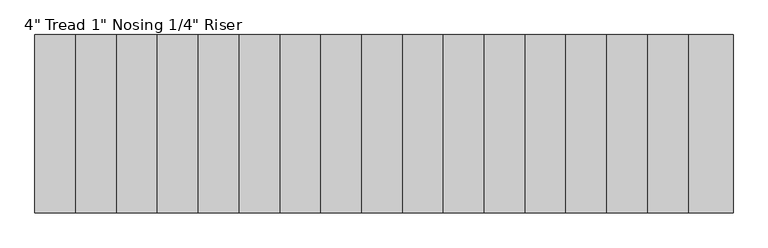
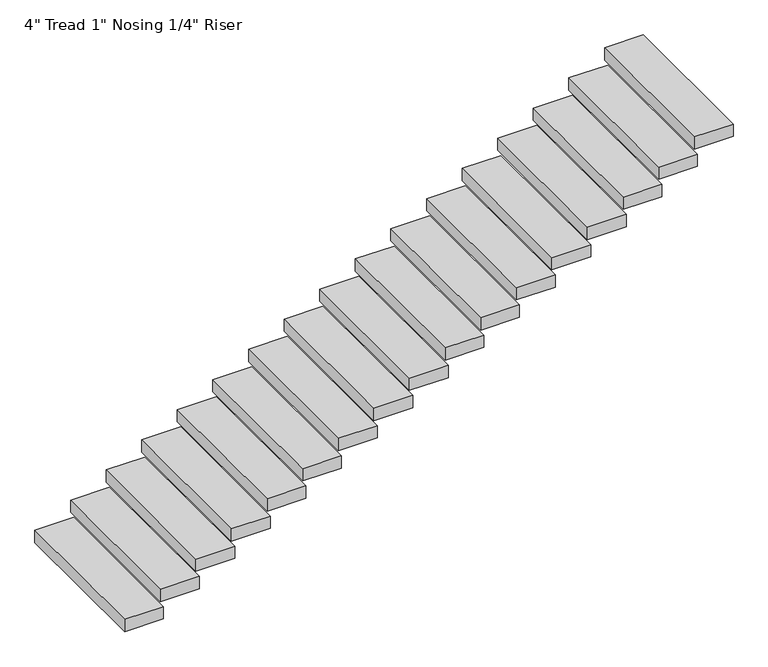
"""IFC4 building model written with IfcOpenShell, lengths in millimetres: stair flight geometry."""

import ifcopenshell
import ifcopenshell.guid

model = None  # the IFC model being written
_history = None  # IfcOwnerHistory: only IFC2X3 demands one
_inside = {}  # id of a spatial element -> (the spatial element, [elements in it])
_under = {}  # id of a project, library or spatial element -> (it, [spatial elements below it])
_declared = {}  # id of a project -> (the project, [libraries it declares])
_typed = {}  # id of a type object -> (the type object, [elements of that type])
_made_of = {}  # id of a material, layer set ... -> (it, [elements and type objects made of it])


def new_model(schema):
    """Start an empty IFC model of exactly this schema.

    Asked for "IFC4X3", IfcOpenShell would pick the latest addendum, in which some entities
    have other attributes; the version numbers below select the first issue.
    IFC2X3 requires an IfcOwnerHistory on every rooted entity: one is made here for all.
    """
    global model, _history
    if schema == "IFC4X3":
        model = ifcopenshell.file(schema_version=(4, 3, 0, 0))
    else:
        model = ifcopenshell.file(schema=schema)
    _inside.clear()
    _under.clear()
    _declared.clear()
    _typed.clear()
    _made_of.clear()
    _history = None
    if model.schema == "IFC2X3":
        org = make("IfcOrganization", Name="unknown")
        user = make(
            "IfcPersonAndOrganization",
            ThePerson=make("IfcPerson", FamilyName="unknown"),
            TheOrganization=org,
        )
        app = make(
            "IfcApplication",
            ApplicationDeveloper=org,
            Version="unknown",
            ApplicationFullName="unknown",
            ApplicationIdentifier="unknown",
        )
        _history = make(
            "IfcOwnerHistory",
            OwningUser=user,
            OwningApplication=app,
            ChangeAction="ADDED",
            CreationDate=0,
        )
    return model


def make(cls, **values):
    """One entity of the class cls with the attributes given. An attribute that is None is left unset."""
    return model.create_entity(
        cls, **{name: value for name, value in values.items() if value is not None}
    )


def rooted(cls, **values):
    """An entity with a GlobalId (a new one), such as an element, a storey or a relation."""
    return make(cls, GlobalId=ifcopenshell.guid.new(), OwnerHistory=_history, **values)


def si_unit(unit_type, name, prefix=None):
    """IfcSIUnit, for example si_unit("LENGTHUNIT", "METRE", prefix="MILLI")."""
    return make("IfcSIUnit", UnitType=unit_type, Prefix=prefix, Name=name)


def assignment(units):
    """IfcUnitAssignment: the units of a project."""
    return None if units is None else make("IfcUnitAssignment", Units=units)


def point(xyz):
    """IfcCartesianPoint."""
    return None if xyz is None else make("IfcCartesianPoint", Coordinates=xyz)


def direction(xyz):
    """IfcDirection."""
    return None if xyz is None else make("IfcDirection", DirectionRatios=xyz)


def frame(location, z_axis=None, x_axis=None):
    """IfcAxis2Placement3D, a coordinate frame: its origin and axes. An axis left out is left unset."""
    return make(
        "IfcAxis2Placement3D",
        Location=point(location),
        Axis=direction(z_axis),
        RefDirection=direction(x_axis),
    )


def origin():
    """The frame at (0, 0, 0) with its axes left unset."""
    return frame((0.0, 0.0, 0.0))


def place(relative_to, where):
    """IfcLocalPlacement: puts the frame where relative to a parent placement (None: the world)."""
    return make(
        "IfcLocalPlacement", PlacementRelTo=relative_to, RelativePlacement=where
    )


def context(
    kind, dimensions, precision=None, world=None, true_north=None, identifier=None
):
    """IfcGeometricRepresentationContext, for example the 3D "Model" context."""
    return make(
        "IfcGeometricRepresentationContext",
        ContextIdentifier=identifier,
        ContextType=kind,
        CoordinateSpaceDimension=dimensions,
        Precision=precision,
        WorldCoordinateSystem=world,
        TrueNorth=true_north,
    )


def project(units=None, contexts=None):
    """IfcProject with its units and contexts."""
    return rooted(
        "IfcProject",
        Name="project",
        RepresentationContexts=contexts,
        UnitsInContext=assignment(units),
    )


def spatial(cls, under=None, at=None, **own):
    """A site, building, storey or space (cls), placed at a placement, below another one or the project."""
    s = rooted(cls, ObjectPlacement=at, **own)
    if under is not None:
        _under.setdefault(under.id(), (under, []))[1].append(s)
    return s


def polyline(points):
    """IfcPolyline through the points."""
    return make("IfcPolyline", Points=[point(p) for p in points])


def outline(outer, holes=None, kind="AREA"):
    """IfcArbitraryClosedProfileDef: a profile drawn as a closed curve; with holes, ...WithVoids."""
    if holes is None:
        return make("IfcArbitraryClosedProfileDef", ProfileType=kind, OuterCurve=outer)
    return make(
        "IfcArbitraryProfileDefWithVoids",
        ProfileType=kind,
        OuterCurve=outer,
        InnerCurves=holes,
    )


def extrude(swept, where, along, depth):
    """IfcExtrudedAreaSolid: the profile swept, set in the frame where, extruded along a direction by depth."""
    return make(
        "IfcExtrudedAreaSolid",
        SweptArea=swept,
        Position=where,
        ExtrudedDirection=direction(along),
        Depth=depth,
    )


def shape(context_of_items, identifier, shape_type, items):
    """IfcShapeRepresentation: the items that make up one representation, for example the "Body"."""
    return make(
        "IfcShapeRepresentation",
        ContextOfItems=context_of_items,
        RepresentationIdentifier=identifier,
        RepresentationType=shape_type,
        Items=items,
    )


def source(mapping_origin, context_of_items, identifier, shape_type, items):
    """IfcRepresentationMap: a shape defined once, which mapped items show again and again."""
    return make(
        "IfcRepresentationMap",
        MappingOrigin=mapping_origin,
        MappedRepresentation=shape(context_of_items, identifier, shape_type, items),
    )


def transform(
    local_origin,
    x_axis=None,
    y_axis=None,
    z_axis=None,
    scale=None,
    scale2=None,
    scale3=None,
    uniform=True,
):
    """IfcCartesianTransformationOperator3D, or its non-uniform kind. x_axis, y_axis, z_axis: its Axis1, 2, 3."""
    if uniform:
        return make(
            "IfcCartesianTransformationOperator3D",
            Axis1=direction(x_axis),
            Axis2=direction(y_axis),
            LocalOrigin=point(local_origin),
            Scale=scale,
            Axis3=direction(z_axis),
        )
    return make(
        "IfcCartesianTransformationOperator3DnonUniform",
        Axis1=direction(x_axis),
        Axis2=direction(y_axis),
        LocalOrigin=point(local_origin),
        Scale=scale,
        Axis3=direction(z_axis),
        Scale2=scale2,
        Scale3=scale3,
    )


def mapped(mapping_source, mapping_target):
    """IfcMappedItem: shows the shape of a source again, moved by a transform."""
    return make(
        "IfcMappedItem", MappingSource=mapping_source, MappingTarget=mapping_target
    )


def made_of(thing, what):
    """Note that an element or type object is made of a material, layer set ...; save() writes the relation."""
    if what is not None:
        _made_of.setdefault(what.id(), (what, []))[1].append(thing)
    return thing


def element(
    cls,
    number,
    at=None,
    inside=None,
    cuts=None,
    type_object=None,
    material=None,
    context=None,
    identifier="Body",
    shape_type=None,
    held_by="IfcProductDefinitionShape",
    body=None,
    shapes=None,
    **own,
):
    """One element of the class cls, such as IfcWall. Its Tag is "e" and its number.

    at: its placement. inside: the storey or other place that contains it. cuts: it is an
    opening in that element (IfcRelVoidsElement). A single representation is given by context,
    identifier, shape_type and body (its items); several are given by shapes. held_by: the class
    of the entity that holds the representations. save() writes the other relations.
    """
    e = rooted(cls, Tag="e%d" % number, ObjectPlacement=at, **own)
    if body is not None:
        shapes = [shape(context, identifier, shape_type, body)]
    if shapes is not None:
        e.Representation = make(held_by, Representations=shapes)
    if inside is not None:
        _inside.setdefault(inside.id(), (inside, []))[1].append(e)
    if cuts is not None:
        rooted(
            "IfcRelVoidsElement", RelatingBuildingElement=cuts, RelatedOpeningElement=e
        )
    if type_object is not None:
        _typed.setdefault(type_object.id(), (type_object, []))[1].append(e)
    return made_of(e, material)


def aggregate(whole, parts):
    """IfcRelAggregates: a whole, such as a stair, and the parts it consists of."""
    return rooted("IfcRelAggregates", RelatingObject=whole, RelatedObjects=parts)


def save(model, path):
    """Write the relations noted so far, then the file.

    IfcRelAggregates (storeys below a building ...), IfcRelContainedInSpatialStructure (elements
    in a storey), IfcRelDefinesByType, IfcRelAssociatesMaterial and IfcRelDeclares: one each for
    every whole, place, type object, material and project.
    """
    for whole, parts in _under.values():
        aggregate(whole, parts)
    for where, things in _inside.values():
        rooted(
            "IfcRelContainedInSpatialStructure",
            RelatedElements=things,
            RelatingStructure=where,
        )
    for kind, things in _typed.values():
        rooted("IfcRelDefinesByType", RelatedObjects=things, RelatingType=kind)
    for what, things in _made_of.values():
        rooted("IfcRelAssociatesMaterial", RelatedObjects=things, RelatingMaterial=what)
    for by, libraries in _declared.values():
        rooted("IfcRelDeclares", RelatingContext=by, RelatedDefinitions=libraries)
    model.write(path)


def stair_flight_2b8dc1c3(model_context):
    return source(origin(), model_context, "Body", "SweptSolid", [
        extrude(outline(polyline([(5678.9911339, 3150.3047045), (5678.9911339, 1931.1047045), (5374.1911339, 1931.1047045), (5374.1911339, 3150.3047045), (5678.9911339, 3150.3047045)])), frame((0.0, 0.0, 1574.8), z_axis=(0.0, 0.0, 1.0), x_axis=(1.0, 0.0, 0.0)), (0.0, 0.0, 1.0), 101.6),
        extrude(outline(polyline([(5958.3911339, 3150.3047045), (5958.3911339, 1931.1047045), (5653.5911339, 1931.1047045), (5653.5911339, 3150.3047045), (5958.3911339, 3150.3047045)])), frame((0.0, 0.0, 1727.2), z_axis=(0.0, 0.0, 1.0), x_axis=(1.0, 0.0, 0.0)), (0.0, 0.0, 1.0), 101.6),
        extrude(outline(polyline([(6237.7911339, 3150.3047045), (6237.7911339, 1931.1047045), (5932.9911339, 1931.1047045), (5932.9911339, 3150.3047045), (6237.7911339, 3150.3047045)])), frame((0.0, 0.0, 1879.6), z_axis=(0.0, 0.0, 1.0), x_axis=(1.0, 0.0, 0.0)), (0.0, 0.0, 1.0), 101.6),
        extrude(outline(polyline([(6517.1911339, 3150.3047045), (6517.1911339, 1931.1047045), (6212.3911339, 1931.1047045), (6212.3911339, 3150.3047045), (6517.1911339, 3150.3047045)])), frame((0.0, 0.0, 2032.0), z_axis=(0.0, 0.0, 1.0), x_axis=(1.0, 0.0, 0.0)), (0.0, 0.0, 1.0), 101.6),
        extrude(outline(polyline([(6796.5911339, 3150.3047045), (6796.5911339, 1931.1047045), (6491.7911339, 1931.1047045), (6491.7911339, 3150.3047045), (6796.5911339, 3150.3047045)])), frame((0.0, 0.0, 2184.4), z_axis=(0.0, 0.0, 1.0), x_axis=(1.0, 0.0, 0.0)), (0.0, 0.0, 1.0), 101.6),
        extrude(outline(polyline([(7075.9911339, 3150.3047045), (7075.9911339, 1931.1047045), (6771.1911339, 1931.1047045), (6771.1911339, 3150.3047045), (7075.9911339, 3150.3047045)])), frame((0.0, 0.0, 2336.8), z_axis=(0.0, 0.0, 1.0), x_axis=(1.0, 0.0, 0.0)), (0.0, 0.0, 1.0), 101.6),
        extrude(outline(polyline([(7355.3911339, 3150.3047045), (7355.3911339, 1931.1047045), (7050.5911339, 1931.1047045), (7050.5911339, 3150.3047045), (7355.3911339, 3150.3047045)])), frame((0.0, 0.0, 2489.2), z_axis=(0.0, 0.0, 1.0), x_axis=(1.0, 0.0, 0.0)), (0.0, 0.0, 1.0), 101.6),
        extrude(outline(polyline([(7634.7911339, 3150.3047045), (7634.7911339, 1931.1047045), (7329.9911339, 1931.1047045), (7329.9911339, 3150.3047045), (7634.7911339, 3150.3047045)])), frame((0.0, 0.0, 2641.6), z_axis=(0.0, 0.0, 1.0), x_axis=(1.0, 0.0, 0.0)), (0.0, 0.0, 1.0), 101.6),
        extrude(outline(polyline([(7914.1911339, 3150.3047045), (7914.1911339, 1931.1047045), (7609.3911339, 1931.1047045), (7609.3911339, 3150.3047045), (7914.1911339, 3150.3047045)])), frame((0.0, 0.0, 2794.0), z_axis=(0.0, 0.0, 1.0), x_axis=(1.0, 0.0, 0.0)), (0.0, 0.0, 1.0), 101.6),
        extrude(outline(polyline([(8193.5911339, 3150.3047045), (8193.5911339, 1931.1047045), (7888.7911339, 1931.1047045), (7888.7911339, 3150.3047045), (8193.5911339, 3150.3047045)])), frame((0.0, 0.0, 2946.4), z_axis=(0.0, 0.0, 1.0), x_axis=(1.0, 0.0, 0.0)), (0.0, 0.0, 1.0), 101.6),
        extrude(outline(polyline([(8472.9911339, 3150.3047045), (8472.9911339, 1931.1047045), (8168.1911339, 1931.1047045), (8168.1911339, 3150.3047045), (8472.9911339, 3150.3047045)])), frame((0.0, 0.0, 3098.8), z_axis=(0.0, 0.0, 1.0), x_axis=(1.0, 0.0, 0.0)), (0.0, 0.0, 1.0), 101.6),
        extrude(outline(polyline([(8752.3911339, 3150.3047045), (8752.3911339, 1931.1047045), (8447.5911339, 1931.1047045), (8447.5911339, 3150.3047045), (8752.3911339, 3150.3047045)])), frame((0.0, 0.0, 3251.2), z_axis=(0.0, 0.0, 1.0), x_axis=(1.0, 0.0, 0.0)), (0.0, 0.0, 1.0), 101.6),
        extrude(outline(polyline([(9031.7911339, 3150.3047045), (9031.7911339, 1931.1047045), (8726.9911339, 1931.1047045), (8726.9911339, 3150.3047045), (9031.7911339, 3150.3047045)])), frame((0.0, 0.0, 3403.6), z_axis=(0.0, 0.0, 1.0), x_axis=(1.0, 0.0, 0.0)), (0.0, 0.0, 1.0), 101.6),
        extrude(outline(polyline([(9311.1911339, 3150.3047045), (9311.1911339, 1931.1047045), (9006.3911339, 1931.1047045), (9006.3911339, 3150.3047045), (9311.1911339, 3150.3047045)])), frame((0.0, 0.0, 3556.0), z_axis=(0.0, 0.0, 1.0), x_axis=(1.0, 0.0, 0.0)), (0.0, 0.0, 1.0), 101.6),
        extrude(outline(polyline([(9590.5911339, 3150.3047045), (9590.5911339, 1931.1047045), (9285.7911339, 1931.1047045), (9285.7911339, 3150.3047045), (9590.5911339, 3150.3047045)])), frame((0.0, 0.0, 3708.4), z_axis=(0.0, 0.0, 1.0), x_axis=(1.0, 0.0, 0.0)), (0.0, 0.0, 1.0), 101.6),
        extrude(outline(polyline([(9869.9911339, 3150.3047045), (9869.9911339, 1931.1047045), (9565.1911339, 1931.1047045), (9565.1911339, 3150.3047045), (9869.9911339, 3150.3047045)])), frame((0.0, 0.0, 3860.8), z_axis=(0.0, 0.0, 1.0), x_axis=(1.0, 0.0, 0.0)), (0.0, 0.0, 1.0), 101.6),
        extrude(outline(polyline([(10149.3911339, 3150.3047045), (10149.3911339, 1931.1047045), (9844.5911339, 1931.1047045), (9844.5911339, 3150.3047045), (10149.3911339, 3150.3047045)])), frame((0.0, 0.0, 4013.2), z_axis=(0.0, 0.0, 1.0), x_axis=(1.0, 0.0, 0.0)), (0.0, 0.0, 1.0), 101.6),
    ])


if __name__ == "__main__":
    model = new_model("IFC4")
    model_context = context("Model", 3, world=origin())
    ifc_project = project(units=[si_unit("LENGTHUNIT", "METRE", prefix="MILLI")], contexts=[model_context])
    site = spatial("IfcSite", under=ifc_project)
    building = spatial("IfcBuilding", under=site)
    placement = place(None, origin())
    stair_flight_shape = stair_flight_2b8dc1c3(model_context)
    element("IfcStairFlight", 1, ObjectType="4\" Tread 1\" Nosing 1/4\" Riser", at=placement, inside=building, context=model_context, shape_type="MappedRepresentation", body=[
        mapped(stair_flight_shape, transform((0.0, 0.0, 0.0), x_axis=(1.0, 0.0, 0.0), y_axis=(0.0, 1.0, 0.0), z_axis=(0.0, 0.0, 1.0))),
    ])
    save(model, "model.ifc")
